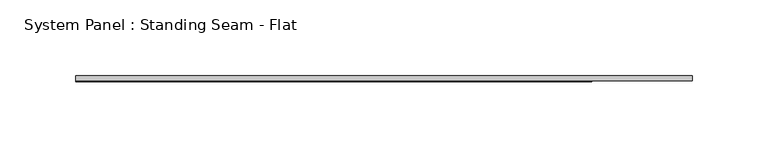
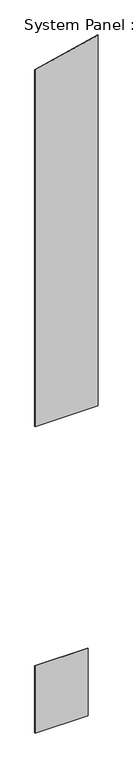
"""IFC4 building model written with IfcOpenShell, lengths in millimetres: plate geometry, System Panel : Standing Seam - Flat."""

import ifcopenshell
import ifcopenshell.guid

model = None  # the IFC model being written
_history = None  # IfcOwnerHistory: only IFC2X3 demands one
_inside = {}  # id of a spatial element -> (the spatial element, [elements in it])
_under = {}  # id of a project, library or spatial element -> (it, [spatial elements below it])
_declared = {}  # id of a project -> (the project, [libraries it declares])
_typed = {}  # id of a type object -> (the type object, [elements of that type])
_made_of = {}  # id of a material, layer set ... -> (it, [elements and type objects made of it])


def new_model(schema):
    """Start an empty IFC model of exactly this schema.

    Asked for "IFC4X3", IfcOpenShell would pick the latest addendum, in which some entities
    have other attributes; the version numbers below select the first issue.
    IFC2X3 requires an IfcOwnerHistory on every rooted entity: one is made here for all.
    """
    global model, _history
    if schema == "IFC4X3":
        model = ifcopenshell.file(schema_version=(4, 3, 0, 0))
    else:
        model = ifcopenshell.file(schema=schema)
    _inside.clear()
    _under.clear()
    _declared.clear()
    _typed.clear()
    _made_of.clear()
    _history = None
    if model.schema == "IFC2X3":
        org = make("IfcOrganization", Name="unknown")
        user = make(
            "IfcPersonAndOrganization",
            ThePerson=make("IfcPerson", FamilyName="unknown"),
            TheOrganization=org,
        )
        app = make(
            "IfcApplication",
            ApplicationDeveloper=org,
            Version="unknown",
            ApplicationFullName="unknown",
            ApplicationIdentifier="unknown",
        )
        _history = make(
            "IfcOwnerHistory",
            OwningUser=user,
            OwningApplication=app,
            ChangeAction="ADDED",
            CreationDate=0,
        )
    return model


def make(cls, **values):
    """One entity of the class cls with the attributes given. An attribute that is None is left unset."""
    return model.create_entity(
        cls, **{name: value for name, value in values.items() if value is not None}
    )


def rooted(cls, **values):
    """An entity with a GlobalId (a new one), such as an element, a storey or a relation."""
    return make(cls, GlobalId=ifcopenshell.guid.new(), OwnerHistory=_history, **values)


def si_unit(unit_type, name, prefix=None):
    """IfcSIUnit, for example si_unit("LENGTHUNIT", "METRE", prefix="MILLI")."""
    return make("IfcSIUnit", UnitType=unit_type, Prefix=prefix, Name=name)


def assignment(units):
    """IfcUnitAssignment: the units of a project."""
    return None if units is None else make("IfcUnitAssignment", Units=units)


def point(xyz):
    """IfcCartesianPoint."""
    return None if xyz is None else make("IfcCartesianPoint", Coordinates=xyz)


def direction(xyz):
    """IfcDirection."""
    return None if xyz is None else make("IfcDirection", DirectionRatios=xyz)


def frame(location, z_axis=None, x_axis=None):
    """IfcAxis2Placement3D, a coordinate frame: its origin and axes. An axis left out is left unset."""
    return make(
        "IfcAxis2Placement3D",
        Location=point(location),
        Axis=direction(z_axis),
        RefDirection=direction(x_axis),
    )


def origin():
    """The frame at (0, 0, 0) with its axes left unset."""
    return frame((0.0, 0.0, 0.0))


def origin_with_axes():
    """The frame at (0, 0, 0) with the z axis (0, 0, 1) and the x axis (1, 0, 0) written out."""
    return frame((0.0, 0.0, 0.0), z_axis=(0.0, 0.0, 1.0), x_axis=(1.0, 0.0, 0.0))


def place(relative_to, where):
    """IfcLocalPlacement: puts the frame where relative to a parent placement (None: the world)."""
    return make(
        "IfcLocalPlacement", PlacementRelTo=relative_to, RelativePlacement=where
    )


def context(
    kind, dimensions, precision=None, world=None, true_north=None, identifier=None
):
    """IfcGeometricRepresentationContext, for example the 3D "Model" context."""
    return make(
        "IfcGeometricRepresentationContext",
        ContextIdentifier=identifier,
        ContextType=kind,
        CoordinateSpaceDimension=dimensions,
        Precision=precision,
        WorldCoordinateSystem=world,
        TrueNorth=true_north,
    )


def project(units=None, contexts=None):
    """IfcProject with its units and contexts."""
    return rooted(
        "IfcProject",
        Name="project",
        RepresentationContexts=contexts,
        UnitsInContext=assignment(units),
    )


def spatial(cls, under=None, at=None, **own):
    """A site, building, storey or space (cls), placed at a placement, below another one or the project."""
    s = rooted(cls, ObjectPlacement=at, **own)
    if under is not None:
        _under.setdefault(under.id(), (under, []))[1].append(s)
    return s


def polyline(points):
    """IfcPolyline through the points."""
    return make("IfcPolyline", Points=[point(p) for p in points])


def outline(outer, holes=None, kind="AREA"):
    """IfcArbitraryClosedProfileDef: a profile drawn as a closed curve; with holes, ...WithVoids."""
    if holes is None:
        return make("IfcArbitraryClosedProfileDef", ProfileType=kind, OuterCurve=outer)
    return make(
        "IfcArbitraryProfileDefWithVoids",
        ProfileType=kind,
        OuterCurve=outer,
        InnerCurves=holes,
    )


def extrude(swept, where, along, depth):
    """IfcExtrudedAreaSolid: the profile swept, set in the frame where, extruded along a direction by depth."""
    return make(
        "IfcExtrudedAreaSolid",
        SweptArea=swept,
        Position=where,
        ExtrudedDirection=direction(along),
        Depth=depth,
    )


def shape(context_of_items, identifier, shape_type, items):
    """IfcShapeRepresentation: the items that make up one representation, for example the "Body"."""
    return make(
        "IfcShapeRepresentation",
        ContextOfItems=context_of_items,
        RepresentationIdentifier=identifier,
        RepresentationType=shape_type,
        Items=items,
    )


def source(mapping_origin, context_of_items, identifier, shape_type, items):
    """IfcRepresentationMap: a shape defined once, which mapped items show again and again."""
    return make(
        "IfcRepresentationMap",
        MappingOrigin=mapping_origin,
        MappedRepresentation=shape(context_of_items, identifier, shape_type, items),
    )


def transform(
    local_origin,
    x_axis=None,
    y_axis=None,
    z_axis=None,
    scale=None,
    scale2=None,
    scale3=None,
    uniform=True,
):
    """IfcCartesianTransformationOperator3D, or its non-uniform kind. x_axis, y_axis, z_axis: its Axis1, 2, 3."""
    if uniform:
        return make(
            "IfcCartesianTransformationOperator3D",
            Axis1=direction(x_axis),
            Axis2=direction(y_axis),
            LocalOrigin=point(local_origin),
            Scale=scale,
            Axis3=direction(z_axis),
        )
    return make(
        "IfcCartesianTransformationOperator3DnonUniform",
        Axis1=direction(x_axis),
        Axis2=direction(y_axis),
        LocalOrigin=point(local_origin),
        Scale=scale,
        Axis3=direction(z_axis),
        Scale2=scale2,
        Scale3=scale3,
    )


def mapped(mapping_source, mapping_target):
    """IfcMappedItem: shows the shape of a source again, moved by a transform."""
    return make(
        "IfcMappedItem", MappingSource=mapping_source, MappingTarget=mapping_target
    )


def made_of(thing, what):
    """Note that an element or type object is made of a material, layer set ...; save() writes the relation."""
    if what is not None:
        _made_of.setdefault(what.id(), (what, []))[1].append(thing)
    return thing


def element(
    cls,
    number,
    at=None,
    inside=None,
    cuts=None,
    type_object=None,
    material=None,
    context=None,
    identifier="Body",
    shape_type=None,
    held_by="IfcProductDefinitionShape",
    body=None,
    shapes=None,
    **own,
):
    """One element of the class cls, such as IfcWall. Its Tag is "e" and its number.

    at: its placement. inside: the storey or other place that contains it. cuts: it is an
    opening in that element (IfcRelVoidsElement). A single representation is given by context,
    identifier, shape_type and body (its items); several are given by shapes. held_by: the class
    of the entity that holds the representations. save() writes the other relations.
    """
    e = rooted(cls, Tag="e%d" % number, ObjectPlacement=at, **own)
    if body is not None:
        shapes = [shape(context, identifier, shape_type, body)]
    if shapes is not None:
        e.Representation = make(held_by, Representations=shapes)
    if inside is not None:
        _inside.setdefault(inside.id(), (inside, []))[1].append(e)
    if cuts is not None:
        rooted(
            "IfcRelVoidsElement", RelatingBuildingElement=cuts, RelatedOpeningElement=e
        )
    if type_object is not None:
        _typed.setdefault(type_object.id(), (type_object, []))[1].append(e)
    return made_of(e, material)


def aggregate(whole, parts):
    """IfcRelAggregates: a whole, such as a stair, and the parts it consists of."""
    return rooted("IfcRelAggregates", RelatingObject=whole, RelatedObjects=parts)


def save(model, path):
    """Write the relations noted so far, then the file.

    IfcRelAggregates (storeys below a building ...), IfcRelContainedInSpatialStructure (elements
    in a storey), IfcRelDefinesByType, IfcRelAssociatesMaterial and IfcRelDeclares: one each for
    every whole, place, type object, material and project.
    """
    for whole, parts in _under.values():
        aggregate(whole, parts)
    for where, things in _inside.values():
        rooted(
            "IfcRelContainedInSpatialStructure",
            RelatedElements=things,
            RelatingStructure=where,
        )
    for kind, things in _typed.values():
        rooted("IfcRelDefinesByType", RelatedObjects=things, RelatingType=kind)
    for what, things in _made_of.values():
        rooted("IfcRelAssociatesMaterial", RelatedObjects=things, RelatingMaterial=what)
    for by, libraries in _declared.values():
        rooted("IfcRelDeclares", RelatingContext=by, RelatedDefinitions=libraries)
    model.write(path)


def system_panel_standing_seam_flat_47374d61(model_context):
    return source(origin(), model_context, "Body", "SweptSolid", [
        extrude(outline(polyline([(136.8571979, -1.5875), (-203.2, -1.5875), (-203.2, 1.5875), (136.8571979, 1.5875), (136.8571979, -1.5875)])), origin_with_axes(), (0.0, 0.0, 1.0), 457.2),
        extrude(outline(polyline([(2082.8, -203.2), (2082.8, 203.2), (4600.1430221, 203.2), (4506.7602773, -203.2), (2082.8, -203.2)])), frame((0.0, -1.5875, 0.0), z_axis=(0.0, 1.0, 0.0), x_axis=(0.0, 0.0, 1.0)), (0.0, 0.0, 1.0), 3.175),
    ])


if __name__ == "__main__":
    model = new_model("IFC4")
    model_context = context("Model", 3, world=origin())
    ifc_project = project(units=[si_unit("LENGTHUNIT", "METRE", prefix="MILLI")], contexts=[model_context])
    site = spatial("IfcSite", under=ifc_project)
    building = spatial("IfcBuilding", under=site)
    placement = place(None, origin())
    system_panel_standing_seam_flat_shape = system_panel_standing_seam_flat_47374d61(model_context)
    element("IfcPlate", 1, ObjectType="System Panel : Standing Seam - Flat", at=placement, inside=building, context=model_context, shape_type="MappedRepresentation", body=[
        mapped(system_panel_standing_seam_flat_shape, transform((0.0, 0.0, 0.0), x_axis=(1.0, 0.0, 0.0), y_axis=(0.0, 1.0, 0.0), z_axis=(0.0, 0.0, 1.0))),
    ])
    save(model, "model.ifc")
